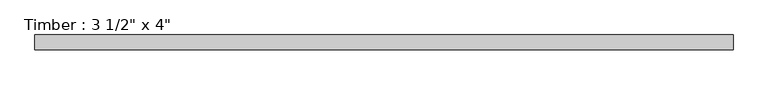
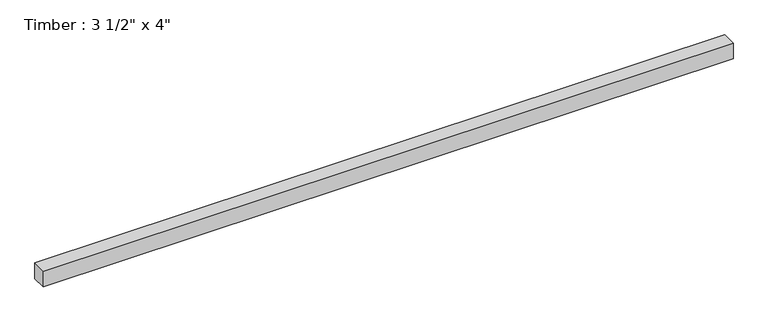
"""IFC4 building model written with IfcOpenShell, lengths in millimetres: beam geometry."""

from ifc_helpers import new_model, si_unit, frame, origin, place, context, project, spatial, polyline, outline, extrude, source, transform, mapped, element, save


def beam_fc3ab21e(model_context):
    return source(origin(), model_context, "Body", "SweptSolid", [
        extrude(outline(polyline([(2108.6836757, 44.45), (2108.6836757, -44.45), (-2108.6836757, -44.45), (-2108.6836757, 44.45), (2108.6836757, 44.45)])), frame((0.0, 0.0, -50.8), z_axis=(0.0, 0.0, 1.0), x_axis=(1.0, 0.0, 0.0)), (0.0, 0.0, 1.0), 101.6),
    ])


if __name__ == "__main__":
    model = new_model("IFC4")
    model_context = context("Model", 3, world=origin())
    ifc_project = project(units=[si_unit("LENGTHUNIT", "METRE", prefix="MILLI")], contexts=[model_context])
    site = spatial("IfcSite", under=ifc_project)
    building = spatial("IfcBuilding", under=site)
    placement = place(None, origin())
    beam_shape = beam_fc3ab21e(model_context)
    element("IfcBeam", 1, ObjectType="Timber : 3 1/2\" x 4\"", at=placement, inside=building, context=model_context, shape_type="MappedRepresentation", body=[
        mapped(beam_shape, transform((0.0, 0.0, 0.0), x_axis=(1.0, 0.0, 0.0), y_axis=(0.0, 1.0, 0.0), z_axis=(0.0, 0.0, 1.0))),
    ])
    save(model, "model.ifc")
